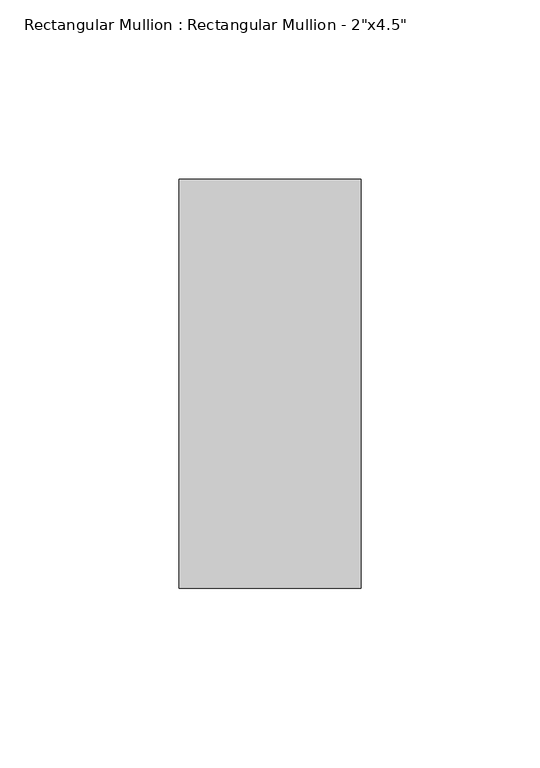
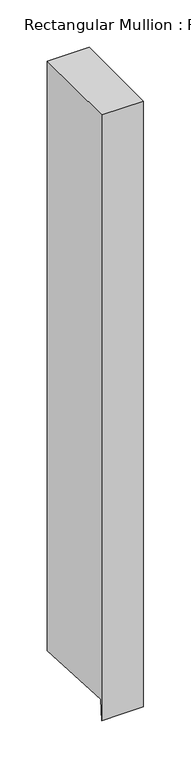
"""IFC4 building model written with IfcOpenShell, lengths in millimetres: member geometry."""

from ifc_helpers import new_model, si_unit, origin, place, context, project, spatial, faceted_brep, source, transform, mapped, element, save


def member_94abf65f(model_context):
    return source(origin(), model_context, "Body", "Brep", [
        faceted_brep([(25.4, 57.15, 0.0), (-25.4, 57.15, 0.0), (-25.4, -57.15, 0.0), (25.4, -57.15, 0.0), (25.4, 57.15, -759.3770666), (0.0, 57.15, -759.3770666), (-25.4, 57.15, -759.3770666), (-25.4, -55.7174627, -753.3627036), (-25.4, -57.15, -780.2461581), (0.0, -57.15, -780.2461581), (25.4, -57.15, -780.2461581), (25.4, -55.7174627, -753.3627036), (0.0, -55.7174627, -753.3627036)], [[[0, 1, 2, 3]], [[1, 0, 4, 5, 6]], [[2, 1, 6, 7, 8]], [[3, 2, 8, 9, 10]], [[0, 3, 10, 11, 4]], [[4, 11, 12, 5]], [[11, 10, 9, 12]], [[9, 8, 7, 12]], [[7, 6, 5, 12]]]),
    ])


if __name__ == "__main__":
    model = new_model("IFC4")
    model_context = context("Model", 3, world=origin())
    ifc_project = project(units=[si_unit("LENGTHUNIT", "METRE", prefix="MILLI")], contexts=[model_context])
    site = spatial("IfcSite", under=ifc_project)
    building = spatial("IfcBuilding", under=site)
    placement = place(None, origin())
    member_shape = member_94abf65f(model_context)
    element("IfcMember", 1, ObjectType="Rectangular Mullion : Rectangular Mullion - 2\"x4.5\"", at=placement, inside=building, context=model_context, shape_type="MappedRepresentation", body=[
        mapped(member_shape, transform((0.0, 0.0, 0.0), x_axis=(1.0, 0.0, 0.0), y_axis=(0.0, 1.0, 0.0), z_axis=(0.0, 0.0, 1.0))),
    ])
    save(model, "model.ifc")
